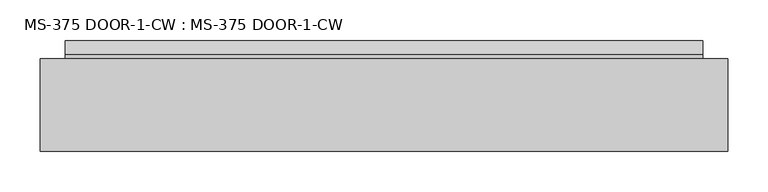
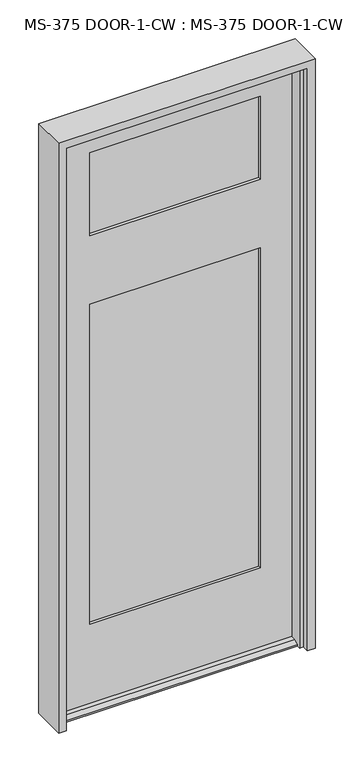
"""IFC4 building model written with IfcOpenShell, lengths in millimetres: plate geometry, MS-375 DOOR-1-CW : MS-375 DOOR-1-CW."""

from ifc_helpers import new_model, si_unit, frame, origin, place, context, project, spatial, polyline, outline, extrude, faceted_brep, source, transform, mapped, element, save


def ms_375_door_1_cw_ms_375_door_1_cw_ac66adb8(model_context):
    return source(origin(), model_context, "Body", "SolidModel", [
        faceted_brep([(394.9192, -45.3085632, 12.7), (394.9192, -61.9583086, 12.7), (394.9192, -78.646154, 4.9183299), (394.9192, -78.646154, 0.0003044), (394.9192, -45.3085632, 0.0003044), (394.9192, 22.9539368, 0.0003044), (394.9192, 22.9539368, 4.9183299), (394.9192, 6.2660914, 12.7), (394.9192, -0.8585632, 12.7), (394.9192, -0.8585632, 0.0003044), (-394.90015, -0.8585632, 12.7), (-394.90015, 6.2660914, 12.7), (-394.90015, 22.9539368, 4.9183299), (-394.90015, 22.9539368, 0.0003044), (-394.90015, -0.8585632, 0.0003044), (-394.90015, -78.646154, 0.0003044), (-394.90015, -78.646154, 4.9183299), (-394.90015, -61.9583086, 12.7), (-394.90015, -45.3085632, 12.7), (-394.90015, -45.3085632, 0.0003044), (290.53155, -35.7835632, 283.36875), (290.53155, -10.3835632, 283.36875), (-290.5125, -10.3835632, 283.36875), (-290.5125, -35.7835632, 283.36875), (283.3878, -45.3085632, 290.5125), (283.3878, -35.7835632, 290.5125), (-283.36875, -35.7835632, 290.5125), (-283.36875, -45.3085632, 290.5125), (283.3878, -10.3835632, 290.5125), (283.3878, -0.8585632, 290.5125), (-283.36875, -0.8585632, 290.5125), (-283.36875, -10.3835632, 290.5125), (290.53155, -35.7835632, 1420.8125), (-290.5125, -35.7835632, 1420.8125), (-290.5125, -10.3835632, 1420.8125), (290.53155, -10.3835632, 1420.8125), (-283.36875, -0.8585632, 1413.66875), (283.3878, -0.8585632, 1413.66875), (283.3878, -10.3835632, 1413.66875), (-283.36875, -10.3835632, 1413.66875), (283.3878, -0.8585632, 1654.96875), (-283.36875, -0.8585632, 1654.96875), (-283.36875, -10.3835632, 1654.96875), (283.3878, -10.3835632, 1654.96875), (-290.5125, -35.7835632, 1647.825), (290.53155, -35.7835632, 1647.825), (290.53155, -10.3835632, 1647.825), (-290.5125, -10.3835632, 1647.825), (283.3878, -35.7835632, 1654.96875), (-283.36875, -35.7835632, 1654.96875), (-283.36875, -45.3085632, 1654.96875), (283.3878, -45.3085632, 1654.96875), (-283.36875, -35.7835632, 1413.66875), (283.3878, -35.7835632, 1413.66875), (283.3878, -45.3085632, 1413.66875), (-283.36875, -45.3085632, 1413.66875), (394.9192, -45.3085632, 2041.525), (397.6878, -0.8585632, 2041.525), (-397.66875, -0.8585632, 2041.525), (-394.90015, -45.3085632, 2041.525), (283.3878, -0.8585632, 1945.48125), (283.3878, -10.3835632, 1945.48125), (-283.36875, -10.3835632, 1945.48125), (-283.36875, -0.8585632, 1945.48125), (290.53155, -10.3835632, 1952.625), (290.53155, -35.7835632, 1952.625), (-290.5125, -35.7835632, 1952.625), (-290.5125, -10.3835632, 1952.625), (283.3878, -45.3085632, 1945.48125), (283.3878, -35.7835632, 1945.48125), (-283.36875, -45.3085632, 1945.48125), (-283.36875, -35.7835632, 1945.48125), (-397.66875, -0.8585632, 0.0003044), (397.6878, -0.8585632, 0.0003044)], [[[0, 1, 2, 3, 4]], [[5, 6, 7, 8, 9]], [[10, 11, 12, 13, 14]], [[15, 16, 17, 18, 19]], [[20, 21, 22, 23]], [[24, 25, 26, 27]], [[1, 0, 18, 17]], [[7, 6, 12, 11]], [[28, 29, 30, 31]], [[32, 33, 34, 35]], [[36, 37, 38, 39]], [[40, 41, 42, 43]], [[44, 45, 46, 47]], [[48, 49, 50, 51]], [[52, 53, 54, 55]], [[56, 57, 58, 59]], [[60, 61, 62, 63]], [[64, 65, 66, 67]], [[29, 28, 38, 37]], [[61, 60, 40, 43]], [[45, 65, 64, 46]], [[35, 21, 20, 32]], [[25, 24, 54, 53]], [[68, 69, 48, 51]], [[69, 68, 70, 71]], [[66, 65, 45, 44], [69, 71, 49, 48]], [[20, 23, 33, 32], [26, 25, 53, 52]], [[56, 59, 18, 0], [70, 68, 51, 50], [27, 55, 54, 24]], [[2, 1, 17, 16]], [[3, 2, 16, 15]], [[3, 15, 19, 72, 14, 13, 5, 9, 73, 4]], [[6, 5, 13, 12]], [[8, 7, 11, 10]], [[57, 73, 9, 8, 10, 14, 72, 58], [30, 29, 37, 36], [63, 41, 40, 60]], [[22, 21, 35, 34], [28, 31, 39, 38]], [[64, 67, 47, 46], [62, 61, 43, 42]], [[18, 59, 58, 72, 19]], [[27, 26, 52, 55]], [[71, 70, 50, 49]], [[33, 23, 22, 34]], [[47, 67, 66, 44]], [[31, 30, 36, 39]], [[63, 62, 42, 41]], [[57, 56, 0, 4, 73]]]),
        extrude(outline(polyline([(-290.5125, -16.6827632), (-290.5125, -10.3835632), (290.53155, -10.3835632), (290.53155, -16.6827632), (-290.5125, -16.6827632)])), frame((0.0, 0.0, 283.36875), z_axis=(0.0, 0.0, 1.0), x_axis=(1.0, 0.0, 0.0)), (0.0, 0.0, 1.0), 1137.44375),
        extrude(outline(polyline([(-290.5125, -35.7835632), (-290.5125, -29.4843632), (290.53155, -29.4843632), (290.53155, -35.7835632), (-290.5125, -35.7835632)])), frame((0.0, 0.0, 283.36875), z_axis=(0.0, 0.0, 1.0), x_axis=(1.0, 0.0, 0.0)), (0.0, 0.0, 1.0), 1137.44375),
        extrude(outline(polyline([(290.53155, -35.7835632), (-290.5125, -35.7835632), (-290.5125, -29.4843632), (290.53155, -29.4843632), (290.53155, -35.7835632)])), frame((0.0, 0.0, 1647.825), z_axis=(0.0, 0.0, 1.0), x_axis=(1.0, 0.0, 0.0)), (0.0, 0.0, 1.0), 304.8),
        extrude(outline(polyline([(-290.5125, -10.3835632), (290.53155, -10.3835632), (290.53155, -16.6827632), (-290.5125, -16.6827632), (-290.5125, -10.3835632)])), frame((0.0, 0.0, 1647.825), z_axis=(0.0, 0.0, 1.0), x_axis=(1.0, 0.0, 0.0)), (0.0, 0.0, 1.0), 304.8),
        faceted_brep([(-425.45, -114.3, 2070.1), (-425.45, 0.0, 2070.1), (-425.45, 0.0, 0.0), (-425.45, -114.3, 0.0), (425.45, 0.0, 2070.1), (425.45, -114.3, 2070.1), (425.45, -114.3, 0.0), (425.45, 0.0, 0.0), (387.35, -91.313, 0.0), (400.05, -91.313, 0.0), (400.05, -91.313, 2044.7), (-400.05, -91.313, 2044.7), (-400.05, -91.313, 0.0), (-387.35, -91.313, 0.0), (-387.35, -91.313, 2032.0), (387.35, -91.313, 2032.0), (400.05, -114.3, 2044.7), (-400.05, -114.3, 2044.7), (-400.05, -114.3, 0.0), (400.05, -114.3, 0.0), (400.05, 0.0, 0.0), (400.05, 0.0, 2044.7), (-400.05, 0.0, 2044.7), (-400.05, 0.0, 0.0), (400.05, -50.038, 2044.7), (-400.05, -50.038, 2044.7), (400.05, -50.038, 0.0), (387.35, -50.038, 0.0), (387.35, -50.038, 2032.0), (-387.35, -50.038, 2032.0), (-387.35, -50.038, 0.0), (-400.05, -50.038, 0.0)], [[[0, 1, 2, 3]], [[4, 5, 6, 7]], [[8, 9, 10, 11, 12, 13, 14, 15]], [[11, 10, 16, 17]], [[0, 3, 18, 17, 16, 19, 6, 5]], [[4, 1, 0, 5]], [[2, 1, 4, 7, 20, 21, 22, 23]], [[21, 24, 25, 22]], [[26, 27, 28, 29, 30, 31, 25, 24]], [[28, 15, 14, 29]], [[27, 26, 20, 7, 6, 19, 9, 8]], [[20, 26, 24, 21]], [[9, 19, 16, 10]], [[27, 8, 15, 28]], [[30, 13, 12, 18, 3, 2, 23, 31]], [[13, 30, 29, 14]], [[18, 12, 11, 17]], [[25, 31, 23, 22]]]),
    ])


if __name__ == "__main__":
    model = new_model("IFC4")
    model_context = context("Model", 3, world=origin())
    ifc_project = project(units=[si_unit("LENGTHUNIT", "METRE", prefix="MILLI")], contexts=[model_context])
    site = spatial("IfcSite", under=ifc_project)
    building = spatial("IfcBuilding", under=site)
    placement = place(None, origin())
    ms_375_door_1_cw_ms_375_door_1_cw_shape = ms_375_door_1_cw_ms_375_door_1_cw_ac66adb8(model_context)
    element("IfcPlate", 1, ObjectType="MS-375 DOOR-1-CW : MS-375 DOOR-1-CW", at=placement, inside=building, context=model_context, shape_type="MappedRepresentation", body=[
        mapped(ms_375_door_1_cw_ms_375_door_1_cw_shape, transform((0.0, 0.0, 0.0), x_axis=(1.0, 0.0, 0.0), y_axis=(0.0, 1.0, 0.0), z_axis=(0.0, 0.0, 1.0))),
    ])
    save(model, "model.ifc")
